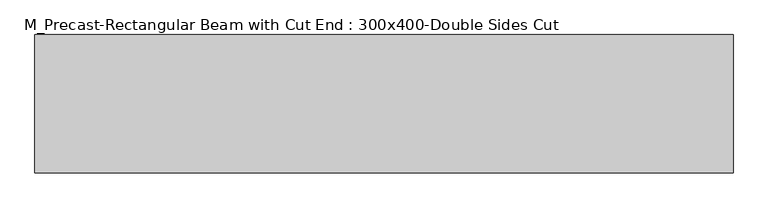
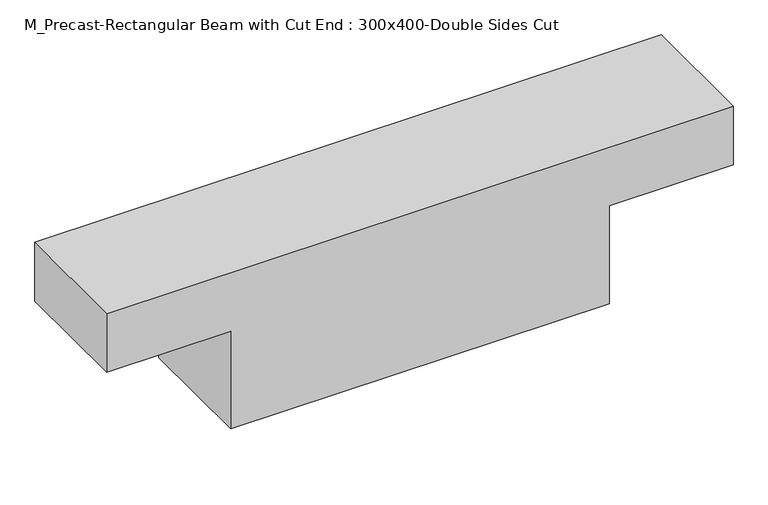
"""IFC4 building model written with IfcOpenShell, lengths in millimetres: beam geometry, M_Precast-Rectangular Beam with Cut End : 300x400-Double Sides Cut."""

from ifc_helpers import new_model, si_unit, frame, origin, place, context, project, spatial, polyline, outline, extrude, source, transform, mapped, element, save


def m_precast_rectangular_beam_with_cut_end_300x400_double_sides_42b9cb22(model_context):
    return source(origin(), model_context, "Body", "SweptSolid", [
        extrude(outline(polyline([(200.0, 757.6), (200.0, -757.6), (50.0, -757.6), (50.0, -457.6), (-200.0, -457.6), (-200.0, 457.6), (50.0, 457.6), (50.0, 757.6), (200.0, 757.6)])), frame((0.0, -150.0, 0.0), z_axis=(0.0, 1.0, 0.0), x_axis=(0.0, 0.0, 1.0)), (0.0, 0.0, 1.0), 300.0),
    ])


if __name__ == "__main__":
    model = new_model("IFC4")
    model_context = context("Model", 3, world=origin())
    ifc_project = project(units=[si_unit("LENGTHUNIT", "METRE", prefix="MILLI")], contexts=[model_context])
    site = spatial("IfcSite", under=ifc_project)
    building = spatial("IfcBuilding", under=site)
    placement = place(None, origin())
    m_precast_rectangular_beam_with_cut_end_300x400_double_sides_shape = m_precast_rectangular_beam_with_cut_end_300x400_double_sides_42b9cb22(model_context)
    element("IfcBeam", 1, ObjectType="M_Precast-Rectangular Beam with Cut End : 300x400-Double Sides Cut", at=placement, inside=building, context=model_context, shape_type="MappedRepresentation", body=[
        mapped(m_precast_rectangular_beam_with_cut_end_300x400_double_sides_shape, transform((0.0, 0.0, 0.0), x_axis=(1.0, 0.0, 0.0), y_axis=(0.0, 1.0, 0.0), z_axis=(0.0, 0.0, 1.0))),
    ])
    save(model, "model.ifc")
